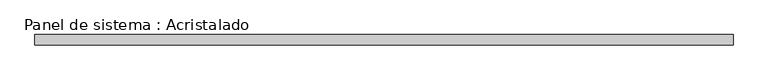
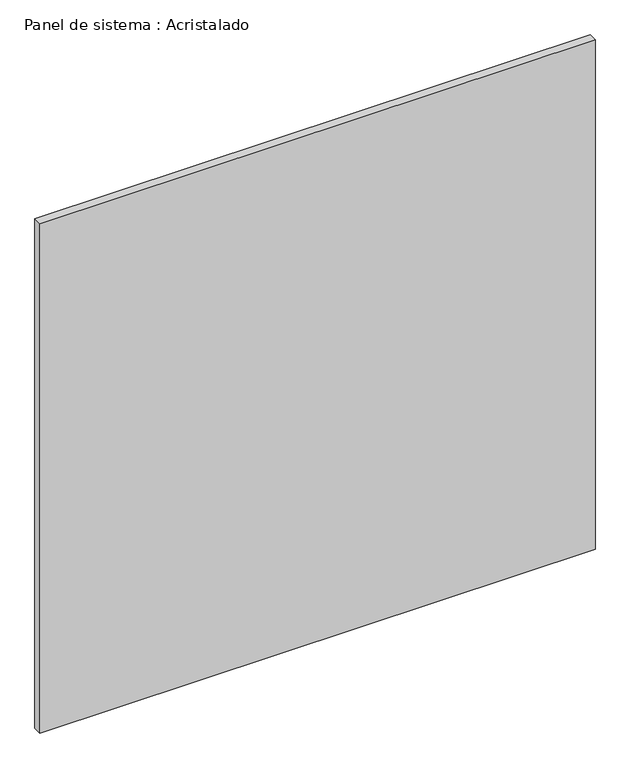
"""IFC4 building model written with IfcOpenShell, lengths in millimetres: plate geometry, Panel de sistema : Acristalado."""

from ifc_helpers import new_model, si_unit, origin, origin_with_axes, place, context, project, spatial, polyline, outline, extrude, source, transform, mapped, element, save


def panel_de_sistema_acristalado_1d6f8ddd(model_context):
    return source(origin(), model_context, "Body", "SweptSolid", [
        extrude(outline(polyline([(670.0789905, -10.0), (-670.0789905, -10.0), (-670.0789905, 10.0), (670.0789905, 10.0), (670.0789905, -10.0)])), origin_with_axes(), (0.0, 0.0, 1.0), 1300.0),
    ])


if __name__ == "__main__":
    model = new_model("IFC4")
    model_context = context("Model", 3, world=origin())
    ifc_project = project(units=[si_unit("LENGTHUNIT", "METRE", prefix="MILLI")], contexts=[model_context])
    site = spatial("IfcSite", under=ifc_project)
    building = spatial("IfcBuilding", under=site)
    placement = place(None, origin())
    panel_de_sistema_acristalado_shape = panel_de_sistema_acristalado_1d6f8ddd(model_context)
    element("IfcPlate", 1, ObjectType="Panel de sistema : Acristalado", at=placement, inside=building, context=model_context, shape_type="MappedRepresentation", body=[
        mapped(panel_de_sistema_acristalado_shape, transform((0.0, 0.0, 0.0), x_axis=(1.0, 0.0, 0.0), y_axis=(0.0, 1.0, 0.0), z_axis=(0.0, 0.0, 1.0))),
    ])
    save(model, "model.ifc")
